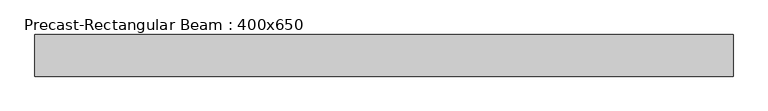
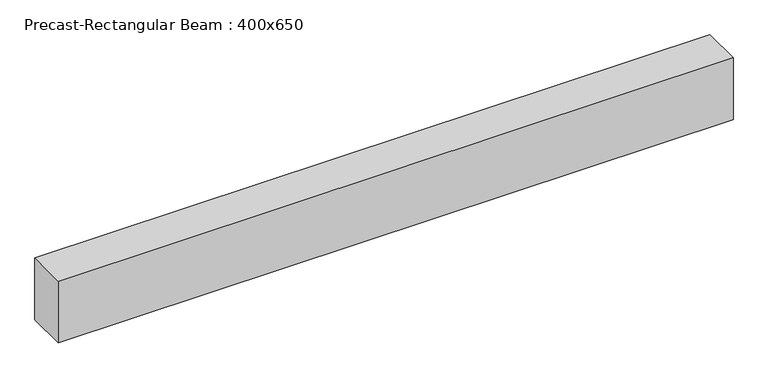
"""IFC4 building model written with IfcOpenShell, lengths in millimetres: beam geometry, Precast-Rectangular Beam : 400x650."""

from ifc_helpers import new_model, si_unit, frame, origin, place, context, project, spatial, polyline, outline, extrude, source, transform, mapped, element, save


def precast_rectangular_beam_400x650_e051d25b(model_context):
    return source(origin(), model_context, "Body", "SweptSolid", [
        extrude(outline(polyline([(-3110.0, -200.0), (-3110.0, 200.0), (3600.0, 200.0), (3600.0, -200.0), (-3110.0, -200.0)])), frame((0.0, 0.0, -325.0), z_axis=(0.0, 0.0, 1.0), x_axis=(1.0, 0.0, 0.0)), (0.0, 0.0, 1.0), 650.0),
    ])


if __name__ == "__main__":
    model = new_model("IFC4")
    model_context = context("Model", 3, world=origin())
    ifc_project = project(units=[si_unit("LENGTHUNIT", "METRE", prefix="MILLI")], contexts=[model_context])
    site = spatial("IfcSite", under=ifc_project)
    building = spatial("IfcBuilding", under=site)
    placement = place(None, origin())
    precast_rectangular_beam_400x650_shape = precast_rectangular_beam_400x650_e051d25b(model_context)
    element("IfcBeam", 1, ObjectType="Precast-Rectangular Beam : 400x650", at=placement, inside=building, context=model_context, shape_type="MappedRepresentation", body=[
        mapped(precast_rectangular_beam_400x650_shape, transform((0.0, 0.0, 0.0), x_axis=(1.0, 0.0, 0.0), y_axis=(0.0, 1.0, 0.0), z_axis=(0.0, 0.0, 1.0))),
    ])
    save(model, "model.ifc")
